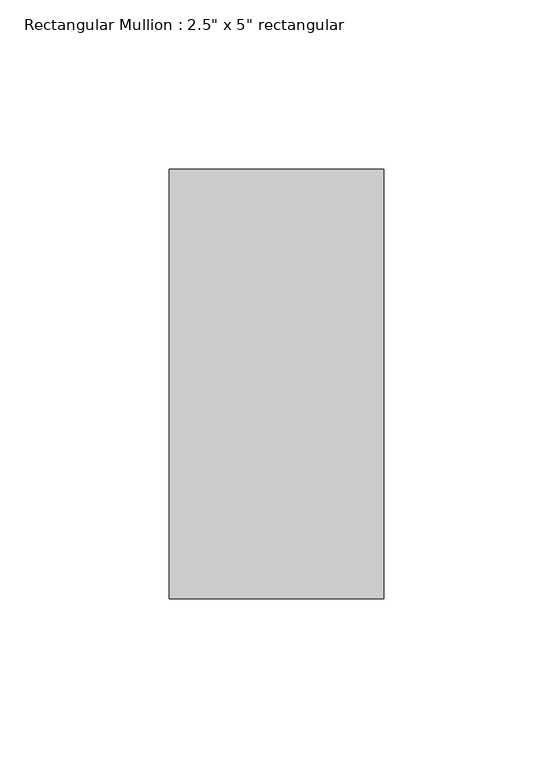
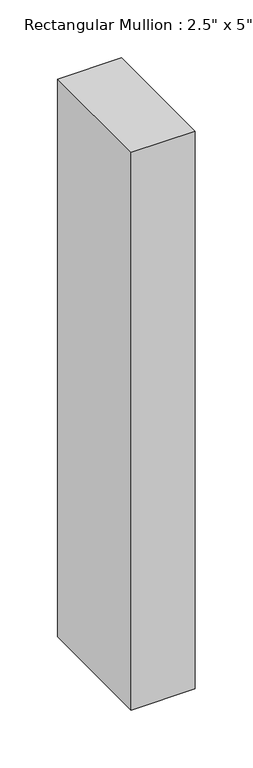
"""IFC4 building model written with IfcOpenShell, lengths in millimetres: member geometry."""

from ifc_helpers import new_model, si_unit, frame, origin, place, context, project, spatial, polyline, outline, extrude, source, transform, mapped, element, save


def member_32731275(model_context):
    return source(origin(), model_context, "Body", "SweptSolid", [
        extrude(outline(polyline([(0.0, 63.5), (0.0, -63.5), (-63.5, -63.5), (-63.5, 63.5), (0.0, 63.5)])), frame((0.0, 0.0, -588.01), z_axis=(0.0, 0.0, 1.0), x_axis=(1.0, 0.0, 0.0)), (0.0, 0.0, 1.0), 588.01),
    ])


if __name__ == "__main__":
    model = new_model("IFC4")
    model_context = context("Model", 3, world=origin())
    ifc_project = project(units=[si_unit("LENGTHUNIT", "METRE", prefix="MILLI")], contexts=[model_context])
    site = spatial("IfcSite", under=ifc_project)
    building = spatial("IfcBuilding", under=site)
    placement = place(None, origin())
    member_shape = member_32731275(model_context)
    element("IfcMember", 1, ObjectType="Rectangular Mullion : 2.5\" x 5\" rectangular", at=placement, inside=building, context=model_context, shape_type="MappedRepresentation", body=[
        mapped(member_shape, transform((0.0, 0.0, 0.0), x_axis=(1.0, 0.0, 0.0), y_axis=(0.0, 1.0, 0.0), z_axis=(0.0, 0.0, 1.0))),
    ])
    save(model, "model.ifc")
